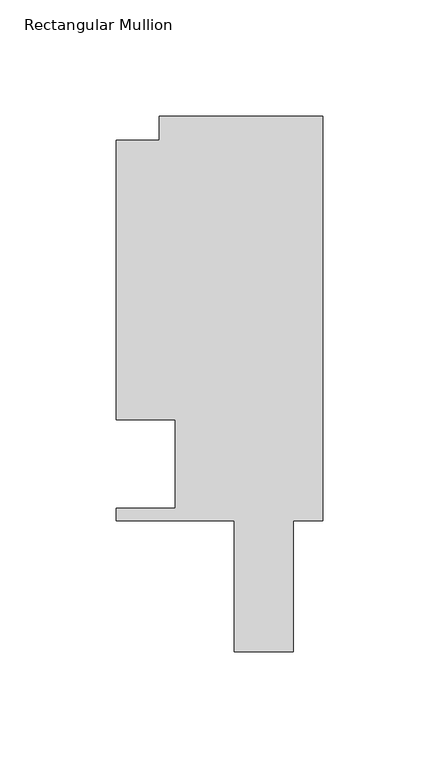
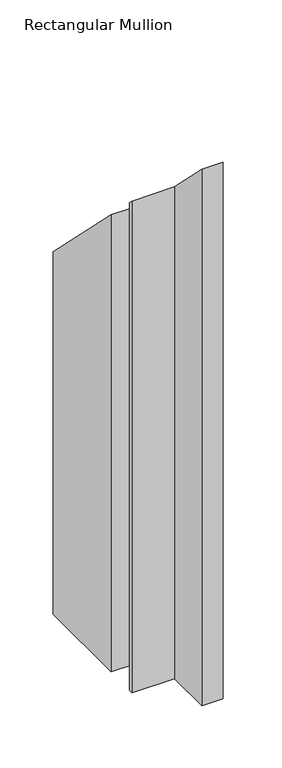
"""IFC4 building model written with IfcOpenShell, lengths in millimetres: member geometry, Rectangular Mullion."""

from ifc_helpers import new_model, si_unit, origin, place, context, project, spatial, faceted_brep, source, transform, mapped, element, save


def rectangular_mullion_4f3982b7(model_context):
    return source(origin(), model_context, "Body", "Brep", [
        faceted_brep([(0.0, 162.3059961, -609.6023813), (0.0, -11.684, -609.6023813), (-12.704103, -11.684, -609.6023813), (-12.704103, -68.072, -609.6023813), (-38.1131928, -68.072, -609.6023813), (-38.1131928, -11.684, -609.6023813), (-88.9131928, -11.684, -609.6023813), (-88.9131928, -6.35, -609.6023813), (-63.5131928, -6.35, -609.6023813), (-63.5131928, 31.75, -609.6023813), (-88.9131928, 31.75, -609.6023813), (-88.9131928, 151.892, -609.6023813), (-70.395709, 151.892, -609.6023813), (-70.395709, 162.3059961, -609.6023813), (-70.395709, 162.3059961, -162.3059961), (0.0, 162.3059961, -162.3059961), (-70.395709, 151.892, -151.892), (-88.9131928, 151.892, -151.892), (-88.9131928, 31.75, -31.75), (-63.5131928, 31.75, -31.75), (-63.5131928, -6.35, 6.35), (-88.9131928, -6.35, 6.35), (-88.9131928, -11.684, 11.684), (-38.1131928, -11.684, 11.684), (-38.1131928, -68.072, 68.072), (-12.704103, -68.072, 68.072), (-12.704103, -11.684, 11.684), (0.0, -11.684, 11.684)], [[[0, 1, 2, 3, 4, 5, 6, 7, 8, 9, 10, 11, 12, 13]], [[14, 15, 0, 13]], [[16, 14, 13, 12]], [[17, 16, 12, 11]], [[18, 17, 11, 10]], [[19, 18, 10, 9]], [[20, 19, 9, 8]], [[21, 20, 8, 7]], [[22, 21, 7, 6]], [[23, 22, 6, 5]], [[24, 23, 5, 4]], [[25, 24, 4, 3]], [[26, 25, 3, 2]], [[27, 26, 2, 1]], [[15, 27, 1, 0]], [[15, 14, 16, 17, 18, 19, 20, 21, 22, 23, 24, 25, 26, 27]]]),
    ])


if __name__ == "__main__":
    model = new_model("IFC4")
    model_context = context("Model", 3, world=origin())
    ifc_project = project(units=[si_unit("LENGTHUNIT", "METRE", prefix="MILLI")], contexts=[model_context])
    site = spatial("IfcSite", under=ifc_project)
    building = spatial("IfcBuilding", under=site)
    placement = place(None, origin())
    rectangular_mullion_shape = rectangular_mullion_4f3982b7(model_context)
    element("IfcMember", 1, ObjectType="Rectangular Mullion", at=placement, inside=building, context=model_context, shape_type="MappedRepresentation", body=[
        mapped(rectangular_mullion_shape, transform((0.0, 0.0, 0.0), x_axis=(1.0, 0.0, 0.0), y_axis=(0.0, 1.0, 0.0), z_axis=(0.0, 0.0, 1.0))),
    ])
    save(model, "model.ifc")
